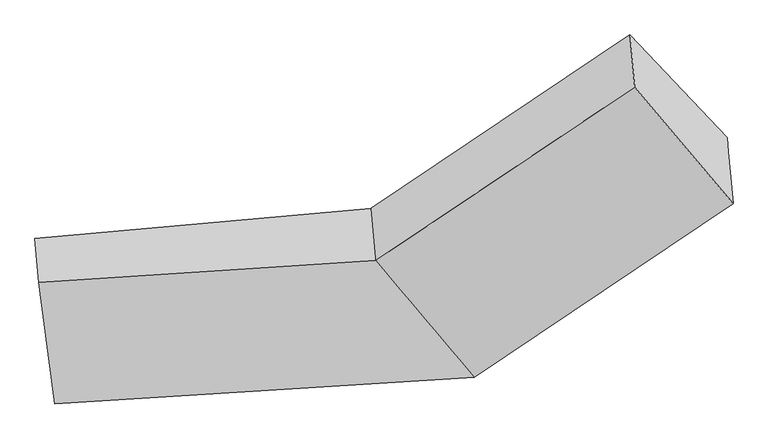
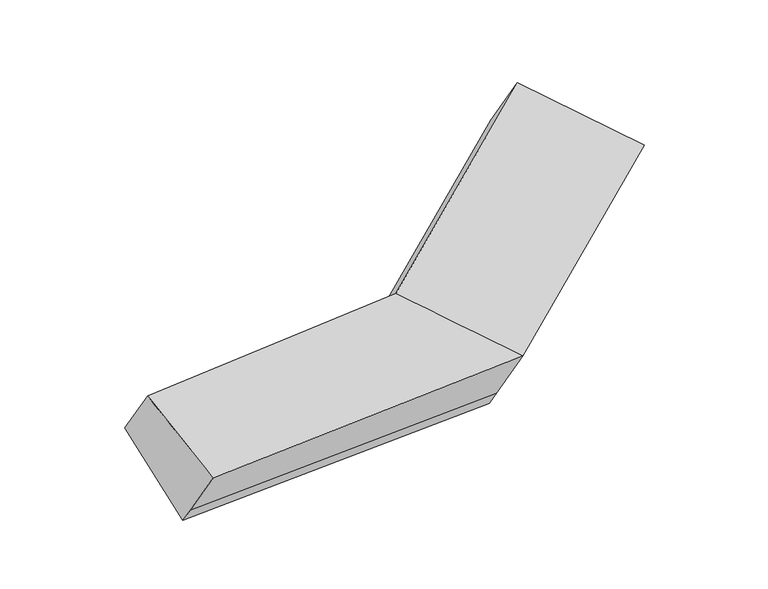
"""IFC4 building model written with IfcOpenShell, lengths in millimetres: proxy geometry."""

from ifc_helpers import new_model, si_unit, frame, origin, place, context, project, spatial, source, transform, mapped, element, save
from ifc_brep_helpers import plane_surface, spline_surface, advanced_brep


def generic_models_ee34e797(model_context):
    return source(origin(), model_context, "Body", "AdvancedBrep", [
        advanced_brep(
        [(-1852.8331462, -1724.7998893, 1760.6110165), (-1831.0810758, -1964.9458151, 2136.4124587), (-4.6121808, -1846.1148518, 2193.6748275), (-30.3134787, -1562.3688979, 1749.6442308), (-1774.6259497, -2300.4151005, 1388.2526366), (496.726687, -2120.7616797, 1362.3121188), (-1767.8057233, -2375.7113626, 1506.0828425), (503.5469134, -2196.0579418, 1480.1423247), (-1745.3087712, -2624.0808864, 1894.7532935), (529.1258988, -2478.4535489, 1922.05978), (1908.5994252, -1254.0139657, 1995.7525888), (1901.7791987, -1178.7177036, 1877.9223828), (1374.7390331, -620.3249218, 2265.2544949), (1400.440331, -904.0708757, 2709.2850916), (1934.1784106, -1536.4095728, 2437.6700441)],
        [
            (0, 1),
            (1, 2),
            (2, 3),
            (3, 0),
            (4, 0),
            (0, 5),
            (5, 4),
            (6, 4),
            (5, 7),
            (7, 6),
            (8, 6),
            (7, 9),
            (9, 8),
            (1, 8),
            (9, 2),
            (10, 11),
            (11, 12),
            (12, 13),
            (13, 14),
            (14, 10),
            (3, 5),
            (5, 11),
            (10, 7),
            (3, 12),
            (2, 13),
            (9, 14),
        ],
        [
            plane_surface(frame((-1841.957111, -1844.8728522, 1948.5117376), z_axis=(-0.07149072111450354, 0.8386060033152241, 0.5400268956248336), x_axis=(0.04871590324611959, -0.5378304434323797, 0.8416443280200043))),
            plane_surface(frame((-1813.729548, -2012.6074949, 1574.4318265), z_axis=(-0.052119556976757214, 0.5374098834904448, -0.8417090761702248), x_axis=(-0.11334376302202975, 0.8342249436876888, 0.539649826010607))),
            plane_surface(frame((-1771.2158365, -2338.0632315, 1447.1677395), z_axis=(0.060236041022311546, -0.8395290776049396, -0.5399653203843353), x_axis=(-0.04871590324616922, 0.5378304434323478, -0.8416443280200219))),
            plane_surface(frame((-1756.5572473, -2499.8961245, 1700.418068), z_axis=(0.06023604102231149, -0.839529077604939, -0.539965320384336), x_axis=(-0.0487159032461689, 0.5378304434323484, -0.8416443280200214))),
            spline_surface(1, 1, [[(-1831.0810758, -1964.9458151, 2136.4124587), (-4.6121808, -1846.1148518, 2193.6748275)], [(-1745.3087712, -2624.0808864, 1894.7532935), (529.1258988, -2478.4535489, 1922.05978)]], [2, 2], [2, 2], [0.0, 1.0], [0.0, 1.0]),
            plane_surface(frame((1652.7842433, -1059.8807685, 2322.5330033), z_axis=(0.7887059525462792, 0.5377320927346695, 0.29797167123949736), x_axis=(-0.04871590324616878, 0.5378304434323476, -0.8416443280200219))),
            plane_surface(frame((-1800.9622357, -2153.5604228, 1795.0073513), z_axis=(-0.9923607973690434, -0.12168466397463874, -0.020319704684265853), x_axis=(-0.048715903246091034, 0.5378304434323641, -0.8416443280200159))),
            plane_surface(frame((-1852.8331462, -1724.7998893, 1760.6110165), z_axis=(-0.05276097713355046, 0.5350650383444723, -0.8431617187902576), x_axis=(-0.6128374019174834, 0.6492939323300044, 0.45038617679772164))),
            plane_surface(frame((500.1368002, -2158.4098108, 1421.2272217), z_axis=(0.6051457730068155, -0.6544876456866007, -0.4532598758500409), x_axis=(-0.048715903246169555, 0.5378304434323476, -0.8416443280200219))),
            plane_surface(frame((233.2066041, -1841.5652888, 1555.9781748), z_axis=(-0.05061175826139766, 0.5365362178090641, -0.842358199879858), x_axis=(-0.6128374019174874, 0.6492939323299988, 0.45038617679772464))),
            plane_surface(frame((-17.4628297, -1704.2418749, 1971.6595291), z_axis=(-0.6051457730068129, 0.6544876456866026, 0.4532598758500421), x_axis=(0.048715903246217794, -0.5378304434323157, 0.8416443280200396))),
            plane_surface(frame((262.256859, -2162.2842004, 2057.8673037), z_axis=(-0.045559171666815695, -0.42648000269620284, 0.9033488634947634), x_axis=(0.6128433128549295, -0.7260575116055181, -0.3118710690817569))),
            plane_surface(frame((516.3364061, -2337.2557454, 1701.1010524), z_axis=(0.6051457730068155, -0.6544876456866009, -0.4532598758500403), x_axis=(-0.04871590324616857, 0.5378304434323476, -0.8416443280200219))),
        ],
        [
            (0, [[1, 2, 3, 4]]),
            (1, [[5, 6, 7]]),
            (2, [[8, -7, 9, 10]]),
            (3, [[11, -10, 12, 13]]),
            (4, [[14, -13, 15, -2]]),
            (5, [[16, 17, 18, 19, 20]]),
            (6, [[-1, -5, -8, -11, -14]]),
            (7, [[21, -6, -4]]),
            (8, [[-9, 22, -16, 23]]),
            (9, [[-21, 24, -17, -22]]),
            (10, [[-3, 25, -18, -24]]),
            (11, [[-15, 26, -19, -25]]),
            (12, [[-12, -23, -20, -26]]),
        ],
    ),
    ])


if __name__ == "__main__":
    model = new_model("IFC4")
    model_context = context("Model", 3, world=origin())
    ifc_project = project(units=[si_unit("LENGTHUNIT", "METRE", prefix="MILLI")], contexts=[model_context])
    site = spatial("IfcSite", under=ifc_project)
    building = spatial("IfcBuilding", under=site)
    placement = place(None, origin())
    generic_models_shape = generic_models_ee34e797(model_context)
    element("IfcBuildingElementProxy", 1, Name="Generic Models", at=placement, inside=building, context=model_context, shape_type="MappedRepresentation", body=[
        mapped(generic_models_shape, transform((0.0, 0.0, 0.0), x_axis=(1.0, 0.0, 0.0), y_axis=(0.0, 1.0, 0.0), z_axis=(0.0, 0.0, 1.0))),
    ])
    save(model, "model.ifc")
